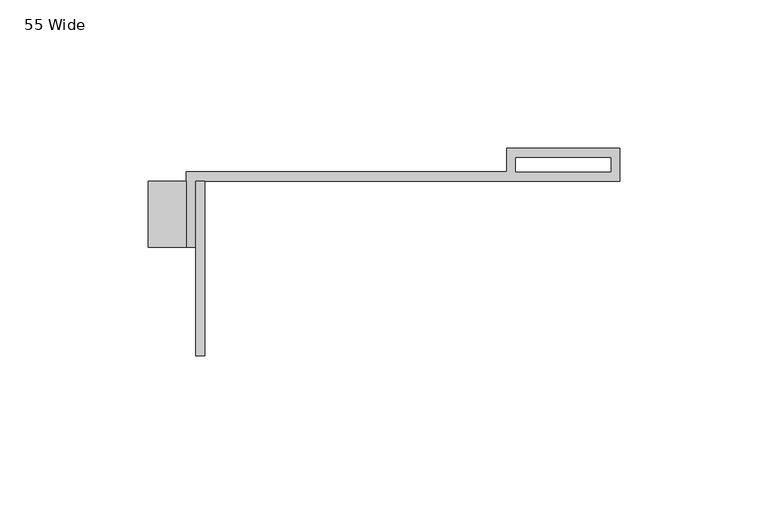
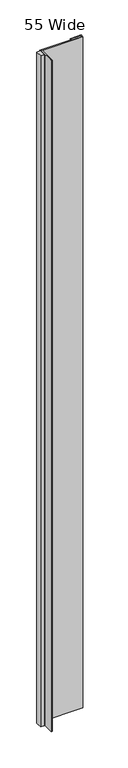
"""IFC4 building model written with IfcOpenShell, lengths in millimetres: proxy geometry, 55 Wide."""

from ifc_helpers import new_model, si_unit, origin, origin_with_axes, place, context, project, spatial, polyline, outline, extrude, source, transform, mapped, element, save


def proxy_55_wide_8acae55f(model_context):
    return source(origin(), model_context, "Body", "SweptSolid", [
        extrude(outline(polyline([(-101.6, 0.0), (-101.6, -58.8097735), (-104.775, -58.8097735), (-104.775, 0.0), (-101.6, 0.0)])), origin_with_axes(), (0.0, 0.0, 1.0), 2438.4),
        extrude(outline(polyline([(-107.95, 0.0), (-107.95, -22.225), (-120.65, -22.225), (-120.65, 0.0), (-107.95, 0.0)])), origin_with_axes(), (0.0, 0.0, 1.0), 2438.4),
        extrude(outline(polyline([(-107.95, -22.225), (-107.95, 3.175), (0.0, 3.175), (0.0, 11.1125), (38.1, 11.1125), (38.1, 0.0), (-104.775, 0.0), (-104.775, -22.225), (-107.95, -22.225)]), holes=[polyline([(3.175, 3.175), (35.1499571, 3.175), (35.1499571, 7.9375), (3.175, 7.9375), (3.175, 3.175)])]), origin_with_axes(), (0.0, 0.0, 1.0), 2438.4),
    ])


if __name__ == "__main__":
    model = new_model("IFC4")
    model_context = context("Model", 3, world=origin())
    ifc_project = project(units=[si_unit("LENGTHUNIT", "METRE", prefix="MILLI")], contexts=[model_context])
    site = spatial("IfcSite", under=ifc_project)
    building = spatial("IfcBuilding", under=site)
    placement = place(None, origin())
    proxy_55_wide_shape = proxy_55_wide_8acae55f(model_context)
    element("IfcBuildingElementProxy", 1, Name="55 Wide", ObjectType="55 Wide", at=placement, inside=building, context=model_context, shape_type="MappedRepresentation", body=[
        mapped(proxy_55_wide_shape, transform((0.0, 0.0, 0.0), x_axis=(1.0, 0.0, 0.0), y_axis=(0.0, 1.0, 0.0), z_axis=(0.0, 0.0, 1.0))),
    ])
    save(model, "model.ifc")
